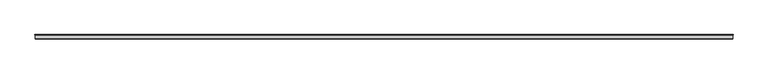
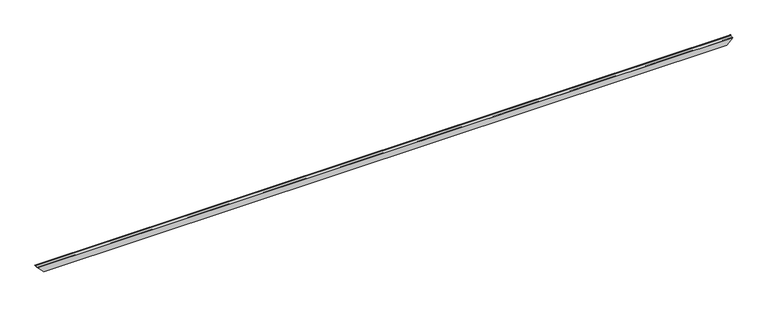
"""IFC4 building model written with IfcOpenShell, lengths in millimetres: proxy geometry."""

from ifc_helpers import new_model, si_unit, frame, origin, place, context, project, spatial, polyline, ellipse_curve, faceted_brep, source, transform, mapped, element, save
from ifc_brep_helpers import plane_surface, cylinder_surface, revolved_surface, advanced_brep


def specialty_equipment_c5fcea0d(model_context):
    return source(origin(), model_context, "Body", "SolidModel", [
        advanced_brep(
        [(18453.6991105, 84.2845729, 38.6991105), (18454.1343073, 83.3664989, 39.1343073), (-39.1343073, 83.3664989, 39.1343073), (-38.6991105, 84.2845729, 38.6991105), (18461.1314568, 86.6833746, 46.1314568), (-46.1314568, 86.6833746, 46.1314568), (18462.1962023, 84.8585816, 47.1962023), (-47.1962023, 84.8585816, 47.1962023), (18454.6706822, 77.3330614, 39.6706822), (-39.6706822, 77.3330614, 39.6706822), (18454.6706822, 0.508, 39.6706822), (-39.6706822, 0.508, 39.6706822), (18454.1626822, 0.0, 39.1626822), (-39.1626822, 0.0, 39.1626822), (18297.0062858, 0.0, -117.9937142), (117.9937142, 0.0, -117.9937142), (18297.0062858, 77.6452525, -117.9937142), (117.9937142, 77.6452525, -117.9937142), (18289.702363, 84.9491753, -125.297637), (125.297637, 84.9491753, -125.297637), (18291.4980144, 86.4483719, -123.5019856), (123.5019856, 86.4483719, -123.5019856), (18296.2287, 84.7304835, -118.7713), (118.7713, 84.7304835, -118.7713), (18296.57549, 85.6854666, -118.42451), (118.42451, 85.6854666, -118.42451), (18291.8674586, 87.3951284, -123.1325414), (123.1325414, 87.3951284, -123.1325414), (18288.8081526, 84.4065446, -126.1918474), (126.1918474, 84.4065446, -126.1918474), (18295.9902858, 77.2244115, -119.0097142), (119.0097142, 77.2244115, -119.0097142), (18295.9902858, -25.5276818, -119.0097142), (119.0097142, -25.5276818, -119.0097142), (18454.6706822, -25.5276818, 39.6706822), (-39.6706822, -25.5276818, 39.6706822), (18455.6866822, -24.5116818, 40.6866822), (-40.6866822, -24.5116818, 40.6866822), (18455.6866822, 76.9122205, 40.6866822), (-40.6866822, 76.9122205, 40.6866822), (18462.9893811, 84.2236616, 47.9893811), (-47.9893811, 84.2236616, 47.9893811), (18460.9689732, 87.6862978, 45.9689732), (-45.9689732, 87.6862978, 45.9689732)],
        [
            (0, 1),
            (1, 2),
            (2, 3),
            (3, 0),
            (1, 4),
            (4, 5),
            (5, 2),
            (4, 6, ellipse_curve(frame((18461.312487, 85.5659738, 46.312487), z_axis=(0.7071067811865507, 0.0, -0.7071067811865445), x_axis=(0.7071067811865442, 0.0, 0.7071067811865507)), 1.6008476, 1.1319702)),
            (6, 7),
            (7, 5, ellipse_curve(frame((-46.312487, 85.5659738, 46.312487), z_axis=(-0.7071067811865492, 0.0, -0.7071067811865458), x_axis=(0.7071067811865458, 0.0, -0.7071067811865492)), 1.6008476, 1.1319702)),
            (6, 8),
            (8, 9),
            (9, 7),
            (8, 10),
            (10, 11),
            (11, 9),
            (10, 12, ellipse_curve(frame((18454.1626822, 0.508, 39.1626822), z_axis=(0.7071067811865507, 0.0, -0.7071067811865445), x_axis=(0.7071067811865442, 0.0, 0.7071067811865507)), 0.7184205, 0.508)),
            (12, 13),
            (13, 11, ellipse_curve(frame((-39.1626822, 0.508, 39.1626822), z_axis=(-0.7071067811865492, 0.0, -0.7071067811865458), x_axis=(0.7071067811865458, 0.0, -0.7071067811865492)), 0.7184205, 0.508)),
            (12, 14),
            (14, 15),
            (15, 13),
            (14, 16),
            (16, 17),
            (17, 15),
            (16, 18),
            (18, 19),
            (19, 17),
            (18, 20, ellipse_curve(frame((18290.9823685, 85.2410207, -124.0176315), z_axis=(0.7071067811865507, 0.0, -0.7071067811865445), x_axis=(0.7071067811865442, 0.0, 0.7071067811865507)), 1.8566571, 1.3128548)),
            (20, 21),
            (21, 19, ellipse_curve(frame((124.0176315, 85.2410207, -124.0176315), z_axis=(-0.7071067811865492, 0.0, -0.7071067811865458), x_axis=(0.7071067811865458, 0.0, -0.7071067811865492)), 1.8566571, 1.3128548)),
            (20, 22),
            (22, 23),
            (23, 21),
            (22, 24),
            (24, 25),
            (25, 23),
            (24, 26),
            (26, 27),
            (27, 25),
            (26, 28, ellipse_curve(frame((18290.9823685, 85.2410207, -124.0176315), z_axis=(-0.7071067811865507, 0.0, 0.7071067811865445), x_axis=(-0.7071067811865442, 0.0, -0.7071067811865507)), 3.2934981, 2.3288548)),
            (28, 29),
            (29, 27, ellipse_curve(frame((124.0176315, 85.2410207, -124.0176315), z_axis=(0.7071067811865492, 0.0, 0.7071067811865458), x_axis=(-0.7071067811865458, 0.0, 0.7071067811865492)), 3.2934981, 2.3288548)),
            (28, 30),
            (30, 31),
            (31, 29),
            (30, 32),
            (32, 33),
            (33, 31),
            (32, 34),
            (34, 35),
            (35, 33),
            (34, 36, ellipse_curve(frame((18454.6706822, -24.5116818, 39.6706822), z_axis=(-0.7071067811865507, 0.0, 0.7071067811865445), x_axis=(-0.7071067811865442, 0.0, -0.7071067811865507)), 1.436841, 1.016)),
            (36, 37),
            (37, 35, ellipse_curve(frame((-39.6706822, -24.5116818, 39.6706822), z_axis=(0.7071067811865492, 0.0, 0.7071067811865458), x_axis=(-0.7071067811865458, 0.0, 0.7071067811865492)), 1.436841, 1.016)),
            (36, 38),
            (38, 39),
            (39, 37),
            (38, 40),
            (40, 41),
            (41, 39),
            (40, 42, ellipse_curve(frame((18461.312487, 85.5659738, 46.312487), z_axis=(-0.7071067811865507, 0.0, 0.7071067811865445), x_axis=(-0.7071067811865442, 0.0, -0.7071067811865507)), 3.0376885, 2.1479702)),
            (42, 43),
            (43, 41, ellipse_curve(frame((-46.312487, 85.5659738, 46.312487), z_axis=(0.7071067811865492, 0.0, 0.7071067811865458), x_axis=(-0.7071067811865458, 0.0, 0.7071067811865492)), 3.0376885, 2.1479702)),
            (42, 0),
            (3, 43),
        ],
        [
            plane_surface(frame((-48.5394, 84.2845729, 38.6991105), z_axis=(0.0, -0.4283433055538029, -0.9036160758791543), x_axis=(1.0, 0.0, 0.0))),
            plane_surface(frame((-48.5394, 83.3664989, 39.1343073), z_axis=(0.0, -0.9036160758791655, 0.4283433055537793), x_axis=(1.0, 0.0, 0.0))),
            revolved_surface(polyline([(18462.444457193604, 86.69794399999999, 46.312487), (-47.444457193606205, 86.69794399999999, 46.312487)]), (-48.5394, 85.5659738, 46.312487), (1.0, 0.0, 0.0)),
            plane_surface(frame((-48.5394, 84.8585816, 47.1962023), z_axis=(0.0, 0.7071067811866342, -0.707106781186461), x_axis=(1.0, 0.0, 0.0))),
            plane_surface(frame((-48.5394, 77.3330614, 39.6706822), z_axis=(0.0, 0.0, -1.0), x_axis=(1.0, 0.0, 0.0))),
            revolved_surface(polyline([(18454.670682207292, 1.016, 39.1626822), (-39.670682207293424, 1.016, 39.1626822)]), (-48.5394, 0.508, 39.1626822), (1.0, 0.0, 0.0)),
            plane_surface(frame((-48.5394, 0.0, 39.1626822), z_axis=(0.0, 1.0, 0.0), x_axis=(1.0, 0.0, 0.0))),
            plane_surface(frame((-48.5394, 0.0, -117.9937142), z_axis=(0.0, 0.0, 1.0), x_axis=(1.0, 0.0, 0.0))),
            plane_surface(frame((-48.5394, 77.6452525, -117.9937142), z_axis=(0.0, 0.7071067811871127, 0.7071067811859825), x_axis=(1.0, 0.0, 0.0))),
            revolved_surface(polyline([(18292.29522332575, 86.5538755, -124.0176315), (122.70477667425186, 86.5538755, -124.0176315)]), (-48.5394, 85.2410207, -124.0176315), (1.0, 0.0, 0.0)),
            plane_surface(frame((-48.5394, 86.4483719, -123.5019856), z_axis=(0.0, -0.9399439895929905, -0.341328721949988), x_axis=(1.0, 0.0, 0.0))),
            plane_surface(frame((-48.5394, 84.7304835, -118.7713), z_axis=(0.0, -0.34132872194998415, 0.939943989592992), x_axis=(1.0, 0.0, 0.0))),
            plane_surface(frame((-48.5394, 85.6854666, -118.42451), z_axis=(0.0, 0.9399439895929905, 0.341328721949988), x_axis=(1.0, 0.0, 0.0))),
            cylinder_surface(frame((-48.5394, 85.2410207, -124.0176315), z_axis=(-1.0, 0.0, 0.0), x_axis=(0.0, 1.0, 0.0)), 2.3288548),
            plane_surface(frame((-48.5394, 84.4065446, -126.1918474), z_axis=(0.0, -0.7071067811872055, -0.7071067811858895), x_axis=(1.0, 0.0, 0.0))),
            plane_surface(frame((-48.5394, 77.2244115, -119.0097142), z_axis=(0.0, 0.0, -1.0), x_axis=(1.0, 0.0, 0.0))),
            plane_surface(frame((-48.5394, -25.5276818, -119.0097142), z_axis=(0.0, -1.0, 0.0), x_axis=(1.0, 0.0, 0.0))),
            cylinder_surface(frame((-48.5394, -24.5116818, 39.6706822), z_axis=(-1.0, 0.0, 0.0), x_axis=(0.0, 1.0, 0.0)), 1.016),
            plane_surface(frame((-48.5394, -24.5116818, 40.6866822), z_axis=(0.0, 0.0, 1.0), x_axis=(1.0, 0.0, 0.0))),
            plane_surface(frame((-48.5394, 76.9122205, 40.6866822), z_axis=(0.0, -0.7066836626193936, 0.7075296467193719), x_axis=(1.0, 0.0, 0.0))),
            cylinder_surface(frame((-48.5394, 85.5659738, 46.312487), z_axis=(-1.0, 0.0, 0.0), x_axis=(0.0, 1.0, 0.0)), 2.1479702),
            plane_surface(frame((-48.5394, 87.6862978, 45.9689732), z_axis=(0.0, 0.9057471191013545, -0.42381854164205307), x_axis=(1.0, 0.0, 0.0))),
            plane_surface(frame((18463.5394, -67.4899439, 48.5394), z_axis=(0.7071067811865507, 0.0, -0.7071067811865445), x_axis=(0.0, 1.0, 0.0))),
            plane_surface(frame((126.4137994, -67.4899439, -126.4137994), z_axis=(-0.7071067811865492, 0.0, -0.7071067811865458), x_axis=(0.0, 1.0, 0.0))),
        ],
        [
            (0, [[1, 2, 3, 4]]),
            (1, [[5, 6, 7, -2]]),
            (2, [[8, 9, 10, -6]]),
            (3, [[11, 12, 13, -9]]),
            (4, [[14, 15, 16, -12]]),
            (5, [[17, 18, 19, -15]]),
            (6, [[20, 21, 22, -18]]),
            (7, [[23, 24, 25, -21]]),
            (8, [[26, 27, 28, -24]]),
            (9, [[29, 30, 31, -27]]),
            (10, [[32, 33, 34, -30]]),
            (11, [[35, 36, 37, -33]]),
            (12, [[38, 39, 40, -36]]),
            (13, [[41, 42, 43, -39]]),
            (14, [[44, 45, 46, -42]]),
            (15, [[47, 48, 49, -45]]),
            (16, [[50, 51, 52, -48]]),
            (17, [[53, 54, 55, -51]]),
            (18, [[56, 57, 58, -54]]),
            (19, [[59, 60, 61, -57]]),
            (20, [[62, 63, 64, -60]]),
            (21, [[65, -4, 66, -63]]),
            (22, [[-1, -65, -62, -59, -56, -53, -50, -47, -44, -41, -38, -35, -32, -29, -26, -23, -20, -17, -14, -11, -8, -5]]),
            (23, [[-3, -7, -10, -13, -16, -19, -22, -25, -28, -31, -34, -37, -40, -43, -46, -49, -52, -55, -58, -61, -64, -66]]),
        ],
    ),
        faceted_brep([(18447.611715, 20.9756339, 32.611715), (18447.611715, 3.96875, 32.611715), (-32.611715, 3.96875, 32.611715), (-32.611715, 20.9756339, 32.611715), (18422.7597004, 3.96875, 7.7597004), (-7.7597004, 3.96875, 7.7597004), (18422.7597004, 40.03675, 7.7597004), (-7.7597004, 40.03675, 7.7597004), (18420.7277005, 40.03675, 5.7277005), (-5.7277005, 40.03675, 5.7277005), (18420.7277005, 1.9367501, 5.7277005), (-5.7277005, 1.9367501, 5.7277005), (18449.6202, 1.9367501, 34.6202), (-34.6202, 1.9367501, 34.6202), (18449.6202, 20.9756339, 34.6202), (-34.6202, 20.9756339, 34.6202)], [[[0, 1, 2, 3]], [[1, 4, 5, 2]], [[4, 6, 7, 5]], [[6, 8, 9, 7]], [[8, 10, 11, 9]], [[10, 12, 13, 11]], [[12, 14, 15, 13]], [[14, 0, 3, 15]], [[1, 0, 14, 12, 10, 8, 6, 4]], [[3, 2, 5, 7, 9, 11, 13, 15]]]),
    ])


if __name__ == "__main__":
    model = new_model("IFC4")
    model_context = context("Model", 3, world=origin())
    ifc_project = project(units=[si_unit("LENGTHUNIT", "METRE", prefix="MILLI")], contexts=[model_context])
    site = spatial("IfcSite", under=ifc_project)
    building = spatial("IfcBuilding", under=site)
    placement = place(None, origin())
    specialty_equipment_shape = specialty_equipment_c5fcea0d(model_context)
    element("IfcBuildingElementProxy", 1, Name="Specialty Equipment", at=placement, inside=building, context=model_context, shape_type="MappedRepresentation", body=[
        mapped(specialty_equipment_shape, transform((0.0, 0.0, 0.0), x_axis=(1.0, 0.0, 0.0), y_axis=(0.0, 1.0, 0.0), z_axis=(0.0, 0.0, 1.0))),
    ])
    save(model, "model.ifc")
